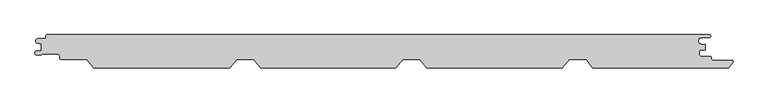
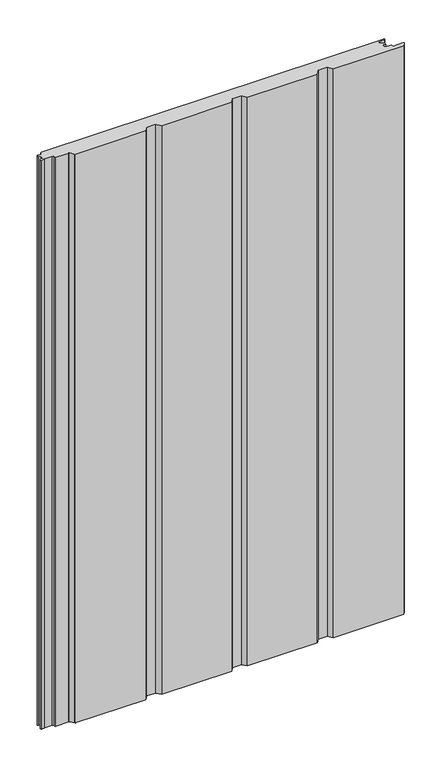
"""IFC4 building model written with IfcOpenShell, lengths in millimetres: proxy geometry."""

from ifc_helpers import new_model, si_unit, point, frame_2d, origin, origin_with_axes, place, context, project, spatial, polyline, circle_curve, trimmed, segment, composite_curve, outline, extrude, source, transform, mapped, element, save


def generic_models_a7ce56ef(model_context):
    return source(origin(), model_context, "Body", "SweptSolid", [
        extrude(outline(composite_curve([segment(polyline([(497.8, 20.6), (486.1740239, 20.6)]), True, "CONTINUOUS"), segment(trimmed(circle_curve(frame_2d((486.1740239, 15.5818865)), 5.0181135), [point((486.1740239, 20.6))], [point((486.1740239, 10.5637731))], True, "CARTESIAN"), True, "CONTINUOUS"), segment(polyline([(486.1740239, 10.5637731), (491.826199, 10.5637731), (491.826199, 2.1668444), (485.634822, 2.1668444)]), True, "CONTINUOUS"), segment(trimmed(circle_curve(frame_2d((485.634822, -0.5831555)), 2.7499999), [point((485.634822, 2.1668444))], [point((482.8848221, -0.5831555))], True, "CARTESIAN"), True, "CONTINUOUS"), segment(polyline([(482.8848221, -0.5831555), (482.8848221, -5.0831556)]), True, "CONTINUOUS"), segment(trimmed(circle_curve(frame_2d((485.634822, -5.0831556)), 2.7499999), [point((482.8848221, -5.0831556))], [point((485.634822, -7.8331556))], True, "CARTESIAN"), True, "CONTINUOUS"), segment(polyline([(485.634822, -7.8331556), (499.3603917, -7.8331556)]), True, "CONTINUOUS"), segment(trimmed(circle_curve(frame_2d((499.3603917, -9.8331556)), 2.0), [point((499.3603917, -7.8331556))], [point((501.3603917, -9.8331556))], False, "CARTESIAN"), True, "CONTINUOUS"), segment(polyline([(501.3603917, -9.8331556), (501.3603917, -11.8001056)]), True, "CONTINUOUS"), segment(trimmed(circle_curve(frame_2d((503.3603917, -11.8001056)), 2.0), [point((501.3603917, -11.8001056))], [point((503.3603917, -13.8001056))], True, "CARTESIAN"), True, "CONTINUOUS"), segment(polyline([(503.3603917, -13.8001056), (531.7579459, -13.8001056)]), True, "CONTINUOUS"), segment(trimmed(circle_curve(frame_2d((531.7579459, -15.9001056)), 2.1), [point((531.7579459, -13.8001056))], [point((533.3977704, -17.2119652))], False, "CARTESIAN"), True, "CONTINUOUS"), segment(polyline([(533.3977704, -17.2119652), (527.1673425, -25.0), (323.0, -25.0), (312.6000971, -12.0), (287.0155837, -12.0), (276.6156808, -25.0), (73.0, -25.0), (62.6000971, -12.0), (37.0155837, -12.0), (26.6156808, -25.0), (-177.0, -25.0), (-187.3999029, -12.0), (-212.9844163, -12.0), (-223.3843192, -25.0), (-427.4622812, -25.0)]), True, "CONTINUOUS"), segment(trimmed(circle_curve(frame_2d((-427.4622812, -22.9)), 2.1), [point((-427.4622812, -25.0))], [point((-429.1021057, -24.2118596))], False, "CARTESIAN"), True, "CONTINUOUS"), segment(polyline([(-429.1021057, -24.2118596), (-438.1509234, -12.9008374)]), True, "CONTINUOUS"), segment(trimmed(circle_curve(frame_2d((-440.0250086, -14.4001056)), 2.4), [point((-438.1509234, -12.9008374))], [point((-440.0250086, -12.0001056))], True, "CARTESIAN"), True, "CONTINUOUS"), segment(polyline([(-440.0250086, -12.0001056), (-477.1999474, -12.0001056)]), True, "CONTINUOUS"), segment(trimmed(circle_curve(frame_2d((-477.1999474, -9.6001056)), 2.4), [point((-477.1999474, -12.0001056))], [point((-479.5999474, -9.6001056))], False, "CARTESIAN"), True, "CONTINUOUS"), segment(polyline([(-479.5999474, -9.6001056), (-479.5999474, -7.3004705)]), True, "CONTINUOUS"), segment(trimmed(circle_curve(frame_2d((-482.9999474, -7.3004705)), 3.4), [point((-479.5999474, -7.3004705))], [point((-482.9999474, -3.9004705))], True, "CARTESIAN"), True, "CONTINUOUS"), segment(polyline([(-482.9999474, -3.9004705), (-505.0374222, -3.9004705)]), True, "CONTINUOUS"), segment(trimmed(circle_curve(frame_2d((-505.0374222, -5.9004705)), 2.0), [point((-505.0374222, -3.9004705))], [point((-506.7792948, -4.9176786))], True, "CARTESIAN"), True, "CONTINUOUS"), segment(trimmed(circle_curve(frame_2d((-508.5138365, -3.7784532)), 2.0752035), [point((-506.7792948, -4.9176786))], [point((-507.3945609, -5.5259348))], False, "CARTESIAN"), True, "CONTINUOUS"), segment(polyline([(-507.3945609, -5.5259348), (-513.6706314, -5.5259348)]), True, "CONTINUOUS"), segment(trimmed(circle_curve(frame_2d((-513.6706314, -2.5444825)), 2.9814522), [point((-513.6706314, -5.5259348))], [point((-513.6706314, 0.4369697))], False, "CARTESIAN"), True, "CONTINUOUS"), segment(polyline([(-513.6706314, 0.4369697), (-507.347117, 0.4369697), (-507.347117, 11.115907), (-512.8423385, 12.3845788)]), True, "CONTINUOUS"), segment(trimmed(circle_curve(frame_2d((-512.1, 15.6)), 3.3), [point((-512.8423385, 12.3845788))], [point((-512.1, 18.9))], False, "CARTESIAN"), True, "CONTINUOUS"), segment(polyline([(-512.1, 18.9), (-502.3, 18.9)]), True, "CONTINUOUS"), segment(trimmed(circle_curve(frame_2d((-502.3, 21.2)), 2.3), [point((-502.3, 18.9))], [point((-500.0, 21.2))], True, "CARTESIAN"), True, "CONTINUOUS"), segment(polyline([(-500.0, 21.2), (-500.0, 23.3)]), True, "CONTINUOUS"), segment(trimmed(circle_curve(frame_2d((-498.3, 23.3)), 1.7), [point((-500.0, 23.3))], [point((-498.3, 25.0))], False, "CARTESIAN"), True, "CONTINUOUS"), segment(polyline([(-498.3, 25.0), (497.8, 25.0)]), True, "CONTINUOUS"), segment(trimmed(circle_curve(frame_2d((497.8, 22.8)), 2.2), [point((497.8, 25.0))], [point((500.0, 22.8))], False, "CARTESIAN"), True, "CONTINUOUS"), segment(trimmed(circle_curve(frame_2d((497.8, 22.8)), 2.2), [point((500.0, 22.8))], [point((497.8, 20.6))], False, "CARTESIAN"), True, "CONTINUOUS")], self_intersect=False)), origin_with_axes(), (0.0, 0.0, 1.0), 1750.0),
    ])


if __name__ == "__main__":
    model = new_model("IFC4")
    model_context = context("Model", 3, world=origin())
    ifc_project = project(units=[si_unit("LENGTHUNIT", "METRE", prefix="MILLI")], contexts=[model_context])
    site = spatial("IfcSite", under=ifc_project)
    building = spatial("IfcBuilding", under=site)
    placement = place(None, origin())
    generic_models_shape = generic_models_a7ce56ef(model_context)
    element("IfcBuildingElementProxy", 1, Name="Generic Models", at=placement, inside=building, context=model_context, shape_type="MappedRepresentation", body=[
        mapped(generic_models_shape, transform((0.0, 0.0, 0.0), x_axis=(1.0, 0.0, 0.0), y_axis=(0.0, 1.0, 0.0), z_axis=(0.0, 0.0, 1.0))),
    ])
    save(model, "model.ifc")
